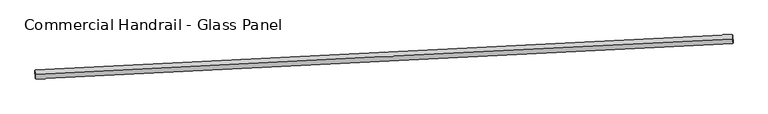
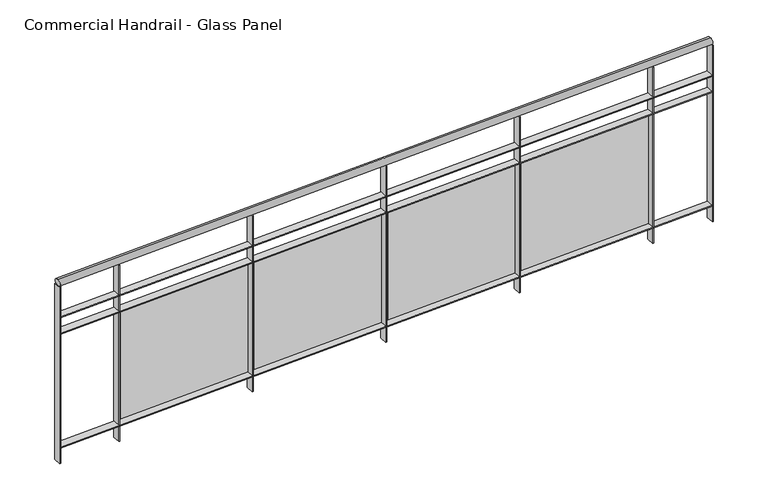
"""IFC4 building model written with IfcOpenShell, lengths in millimetres: railing geometry, Commercial Handrail - Glass Panel."""

from ifc_helpers import new_model, si_unit, point, frame, origin, place, context, project, spatial, polyline, circle_curve, ellipse_curve, trimmed, outline, extrude, source, transform, mapped, element, save
from ifc_brep_helpers import plane_surface, cylinder_surface, revolved_surface, advanced_brep


def commercial_handrail_glass_panel_14d53c42(model_context):
    return source(origin(), model_context, "Body", "SolidModel", [
        advanced_brep(
        [(79397.2967525, -7868.0167373, 9482.5), (75492.5401966, -8066.1806126, 9482.5), (75492.5401966, -8066.1806126, 9517.5), (79397.2967525, -7868.0167373, 9517.5)],
        [
            (0, 1, circle_curve(frame((111016.9781026, -669493.9269536, 9482.5), z_axis=(0.0, 0.0, 1.0), x_axis=(-0.0536314228074189, 0.9985607995949229, 0.0)), 662381.0454099)),
            (1, 2, ellipse_curve(frame((75492.5401966, -8066.1806126, 9500.0), z_axis=(0.9985607995949235, 0.05363142280741247, 0.0), x_axis=(0.053631422807412454, -0.9985607995949233, 0.0)), 25.0, 17.5)),
            (2, 3, circle_curve(frame((111016.9781026, -669493.9269536, 9517.5), z_axis=(0.0, 0.0, -1.0), x_axis=(-0.0536314228074189, 0.9985607995949229, 0.0)), 662381.0454099)),
            (3, 0, ellipse_curve(frame((79397.2967525, -7868.0167373, 9500.0), z_axis=(-0.998859968595467, -0.047736392170574266, 0.0), x_axis=(0.047736392170574266, -0.998859968595467, 0.0)), 25.0, 17.5)),
            (2, 1, ellipse_curve(frame((75492.5401966, -8066.1806126, 9500.0), z_axis=(0.9985607995949235, 0.05363142280741247, 0.0), x_axis=(0.053631422807412454, -0.9985607995949233, 0.0)), 25.0, 17.5)),
            (0, 3, ellipse_curve(frame((79397.2967525, -7868.0167373, 9500.0), z_axis=(-0.998859968595467, -0.047736392170574266, 0.0), x_axis=(0.047736392170574266, -0.998859968595467, 0.0)), 25.0, 17.5)),
        ],
        [
            revolved_surface(trimmed(ellipse_curve(frame((75492.5401966, -8066.1806126, 9500.0), z_axis=(-0.9985607995949229, -0.0536314228074189, 0.0), x_axis=(0.0, 0.0, -1.0)), 17.5, 25.0), [point((75492.5401966, -8066.1806126, 9517.5))], [point((75492.5401966, -8066.1806126, 9482.5))], True, "CARTESIAN"), (111016.9781026, -669493.9269536, 9500.0), (0.0, 0.0, -1.0)),
            revolved_surface(trimmed(ellipse_curve(frame((75492.5401966, -8066.1806126, 9500.0), z_axis=(-0.9985607995949229, -0.0536314228074189, 0.0), x_axis=(0.0, 0.0, -1.0)), 17.5, 25.0), [point((75492.5401966, -8066.1806126, 9482.5))], [point((75492.5401966, -8066.1806126, 9517.5))], True, "CARTESIAN"), (111016.9781026, -669493.9269536, 9500.0), (0.0, 0.0, -1.0)),
            plane_surface(frame((75492.5401966, -8066.1806126, 9500.0), z_axis=(-0.998560799594923, -0.05363142280741891, 0.0), x_axis=(0.05363142280741891, -0.998560799594923, 0.0))),
            plane_surface(frame((79397.2967525, -7868.0167373, 9500.0), z_axis=(0.9988599685954669, 0.04773639217057431, 0.0), x_axis=(0.04773639217057431, -0.9988599685954669, 0.0))),
        ],
        [
            (0, [[1, 2, 3, 4]]),
            (1, [[-3, 5, -1, 6]]),
            (2, [[-2, -5]]),
            (3, [[-6, -4]]),
        ],
    ),
        advanced_brep(
        [(79396.2226837, -7845.542388, 9300.0), (75491.3334896, -8043.7129946, 9300.0), (75493.7469036, -8088.6482306, 9300.0), (79398.3708214, -7890.4910866, 9300.0), (79396.2226837, -7845.542388, 9294.0), (75491.3334896, -8043.7129946, 9294.0), (79398.3708214, -7890.4910866, 9294.0), (75493.7469036, -8088.6482306, 9294.0)],
        [
            (0, 1, circle_curve(frame((111016.9781026, -669493.9269536, 9300.0), z_axis=(0.0, 0.0, 1.0), x_axis=(-0.0536314228074189, 0.9985607995949229, 0.0)), 662403.5454099)),
            (1, 2),
            (2, 3, circle_curve(frame((111016.9781026, -669493.9269536, 9300.0), z_axis=(0.0, 0.0, -1.0), x_axis=(-0.0536314228074189, 0.9985607995949229, 0.0)), 662358.5454099)),
            (3, 0),
            (4, 5, circle_curve(frame((111016.9781026, -669493.9269536, 9294.0), z_axis=(0.0, 0.0, 1.0), x_axis=(-0.0536314228074189, 0.9985607995949229, 0.0)), 662403.5454099)),
            (5, 1),
            (0, 4),
            (6, 7, circle_curve(frame((111016.9781026, -669493.9269536, 9294.0), z_axis=(0.0, 0.0, 1.0), x_axis=(-0.0536314228074189, 0.9985607995949229, 0.0)), 662358.5454099)),
            (7, 5),
            (4, 6),
            (2, 7),
            (6, 3),
        ],
        [
            plane_surface(frame((111016.9781026, -669493.9269536, 9300.0), z_axis=(0.0, 0.0, 1.0), x_axis=(-0.0536314228074189, 0.9985607995949229, 0.0))),
            cylinder_surface(frame((111016.9781026, -669493.9269536, 9300.0), z_axis=(0.0, 0.0, -1.0), x_axis=(-0.0536314228074189, 0.9985607995949229, 0.0)), 662403.5454099),
            plane_surface(frame((111016.9781026, -669493.9269536, 9294.0), z_axis=(0.0, 0.0, -1.0), x_axis=(-0.0536314228074189, 0.9985607995949229, 0.0))),
            revolved_surface(polyline([(75493.74690361468, -8088.648230560124, 9294.0), (75493.74690361468, -8088.648230560124, 9300.0)]), (111016.9781026, -669493.9269536, 9300.0), (0.0, 0.0, -1.0)),
            plane_surface(frame((75492.5401966, -8066.1806126, 9300.0), z_axis=(-0.998560799594923, -0.05363142280741891, 0.0), x_axis=(0.05363142280741891, -0.998560799594923, 0.0))),
            plane_surface(frame((79397.2967525, -7868.0167373, 9300.0), z_axis=(0.9988599685954669, 0.04773639217057431, 0.0), x_axis=(0.04773639217057431, -0.9988599685954669, 0.0))),
        ],
        [
            (0, [[1, 2, 3, 4]]),
            (1, [[5, 6, -1, 7]]),
            (2, [[8, 9, -5, 10]]),
            (3, [[-3, 11, -8, 12]]),
            (4, [[-2, -6, -9, -11]]),
            (5, [[-12, -10, -7, -4]]),
        ],
    ),
        advanced_brep(
        [(79396.2226837, -7845.542388, 9200.0), (75491.3334896, -8043.7129946, 9200.0), (75493.7469036, -8088.6482306, 9200.0), (79398.3708214, -7890.4910866, 9200.0), (79396.2226837, -7845.542388, 9194.0), (75491.3334896, -8043.7129946, 9194.0), (79398.3708214, -7890.4910866, 9194.0), (75493.7469036, -8088.6482306, 9194.0)],
        [
            (0, 1, circle_curve(frame((111016.9781026, -669493.9269536, 9200.0), z_axis=(0.0, 0.0, 1.0), x_axis=(-0.0536314228074189, 0.9985607995949229, 0.0)), 662403.5454099)),
            (1, 2),
            (2, 3, circle_curve(frame((111016.9781026, -669493.9269536, 9200.0), z_axis=(0.0, 0.0, -1.0), x_axis=(-0.0536314228074189, 0.9985607995949229, 0.0)), 662358.5454099)),
            (3, 0),
            (4, 5, circle_curve(frame((111016.9781026, -669493.9269536, 9194.0), z_axis=(0.0, 0.0, 1.0), x_axis=(-0.0536314228074189, 0.9985607995949229, 0.0)), 662403.5454099)),
            (5, 1),
            (0, 4),
            (6, 7, circle_curve(frame((111016.9781026, -669493.9269536, 9194.0), z_axis=(0.0, 0.0, 1.0), x_axis=(-0.0536314228074189, 0.9985607995949229, 0.0)), 662358.5454099)),
            (7, 5),
            (4, 6),
            (2, 7),
            (6, 3),
        ],
        [
            plane_surface(frame((111016.9781026, -669493.9269536, 9200.0), z_axis=(0.0, 0.0, 1.0), x_axis=(-0.0536314228074189, 0.9985607995949229, 0.0))),
            cylinder_surface(frame((111016.9781026, -669493.9269536, 9200.0), z_axis=(0.0, 0.0, -1.0), x_axis=(-0.0536314228074189, 0.9985607995949229, 0.0)), 662403.5454099),
            plane_surface(frame((111016.9781026, -669493.9269536, 9194.0), z_axis=(0.0, 0.0, -1.0), x_axis=(-0.0536314228074189, 0.9985607995949229, 0.0))),
            revolved_surface(polyline([(75493.74690361468, -8088.648230560124, 9194.0), (75493.74690361468, -8088.648230560124, 9200.0)]), (111016.9781026, -669493.9269536, 9200.0), (0.0, 0.0, -1.0)),
            plane_surface(frame((75492.5401966, -8066.1806126, 9200.0), z_axis=(-0.998560799594923, -0.05363142280741891, 0.0), x_axis=(0.05363142280741891, -0.998560799594923, 0.0))),
            plane_surface(frame((79397.2967525, -7868.0167373, 9200.0), z_axis=(0.9988599685954669, 0.04773639217057431, 0.0), x_axis=(0.04773639217057431, -0.9988599685954669, 0.0))),
        ],
        [
            (0, [[1, 2, 3, 4]]),
            (1, [[5, 6, -1, 7]]),
            (2, [[8, 9, -5, 10]]),
            (3, [[-3, 11, -8, 12]]),
            (4, [[-2, -6, -9, -11]]),
            (5, [[-12, -10, -7, -4]]),
        ],
    ),
        advanced_brep(
        [(79396.2226837, -7845.542388, 8500.0), (75491.3334896, -8043.7129946, 8500.0), (75493.7469036, -8088.6482306, 8500.0), (79398.3708214, -7890.4910866, 8500.0), (79396.2226837, -7845.542388, 8494.0), (75491.3334896, -8043.7129946, 8494.0), (79398.3708214, -7890.4910866, 8494.0), (75493.7469036, -8088.6482306, 8494.0)],
        [
            (0, 1, circle_curve(frame((111016.9781026, -669493.9269536, 8500.0), z_axis=(0.0, 0.0, 1.0), x_axis=(-0.0536314228074189, 0.9985607995949229, 0.0)), 662403.5454099)),
            (1, 2),
            (2, 3, circle_curve(frame((111016.9781026, -669493.9269536, 8500.0), z_axis=(0.0, 0.0, -1.0), x_axis=(-0.0536314228074189, 0.9985607995949229, 0.0)), 662358.5454099)),
            (3, 0),
            (4, 5, circle_curve(frame((111016.9781026, -669493.9269536, 8494.0), z_axis=(0.0, 0.0, 1.0), x_axis=(-0.0536314228074189, 0.9985607995949229, 0.0)), 662403.5454099)),
            (5, 1),
            (0, 4),
            (6, 7, circle_curve(frame((111016.9781026, -669493.9269536, 8494.0), z_axis=(0.0, 0.0, 1.0), x_axis=(-0.0536314228074189, 0.9985607995949229, 0.0)), 662358.5454099)),
            (7, 5),
            (4, 6),
            (2, 7),
            (6, 3),
        ],
        [
            plane_surface(frame((111016.9781026, -669493.9269536, 8500.0), z_axis=(0.0, 0.0, 1.0), x_axis=(-0.0536314228074189, 0.9985607995949229, 0.0))),
            cylinder_surface(frame((111016.9781026, -669493.9269536, 8500.0), z_axis=(0.0, 0.0, -1.0), x_axis=(-0.0536314228074189, 0.9985607995949229, 0.0)), 662403.5454099),
            plane_surface(frame((111016.9781026, -669493.9269536, 8494.0), z_axis=(0.0, 0.0, -1.0), x_axis=(-0.0536314228074189, 0.9985607995949229, 0.0))),
            revolved_surface(polyline([(75493.74690361468, -8088.648230560124, 8494.0), (75493.74690361468, -8088.648230560124, 8500.0)]), (111016.9781026, -669493.9269536, 8500.0), (0.0, 0.0, -1.0)),
            plane_surface(frame((75492.5401966, -8066.1806126, 8500.0), z_axis=(-0.998560799594923, -0.05363142280741891, 0.0), x_axis=(0.05363142280741891, -0.998560799594923, 0.0))),
            plane_surface(frame((79397.2967525, -7868.0167373, 8500.0), z_axis=(0.9988599685954669, 0.04773639217057431, 0.0), x_axis=(0.04773639217057431, -0.9988599685954669, 0.0))),
        ],
        [
            (0, [[1, 2, 3, 4]]),
            (1, [[5, 6, -1, 7]]),
            (2, [[8, 9, -5, 10]]),
            (3, [[-3, 11, -8, 12]]),
            (4, [[-2, -6, -9, -11]]),
            (5, [[-12, -10, -7, -4]]),
        ],
    ),
        extrude(outline(polyline([(79040.9018338, -7907.6716301), (79038.7296137, -7862.7240889), (79044.7226192, -7862.4344596), (79046.8948393, -7907.3820008), (79040.9018338, -7907.6716301)])), frame((0.0, 0.0, 8400.0), z_axis=(0.0, 0.0, 1.0), x_axis=(1.0, 0.0, 0.0)), (0.0, 0.0, 1.0), 1082.1192282),
        extrude(outline(polyline([(78263.4452648, -7917.0618703), (79022.5370012, -7879.9170767), (79023.1234979, -7891.9027357), (78264.0317615, -7929.0475293), (78263.4452648, -7917.0618703)])), frame((0.0, 0.0, 8520.0), z_axis=(0.0, 0.0, 1.0), x_axis=(1.0, 0.0, 0.0)), (0.0, 0.0, 1.0), 660.0),
        extrude(outline(polyline([(78241.8852686, -7946.7737013), (78239.658764, -7901.8288164), (78245.6514154, -7901.5319492), (78247.8779199, -7946.476834), (78241.8852686, -7946.7737013)])), frame((0.0, 0.0, 8400.0), z_axis=(0.0, 0.0, 1.0), x_axis=(1.0, 0.0, 0.0)), (0.0, 0.0, 1.0), 1082.1192282),
        extrude(outline(polyline([(77464.4406078, -7957.1029185), (78223.4869284, -7919.0413485), (78224.0879006, -7931.0262904), (77465.0415799, -7969.0878604), (77464.4406078, -7957.1029185)])), frame((0.0, 0.0, 8520.0), z_axis=(0.0, 0.0, 1.0), x_axis=(1.0, 0.0, 0.0)), (0.0, 0.0, 1.0), 660.0),
        extrude(outline(polyline([(77442.9165122, -7986.8407672), (77440.6357265, -7941.8986042), (77446.6280149, -7941.5944994), (77448.9088006, -7986.5366625), (77442.9165122, -7986.8407672)])), frame((0.0, 0.0, 8400.0), z_axis=(0.0, 0.0, 1.0), x_axis=(1.0, 0.0, 0.0)), (0.0, 0.0, 1.0), 1082.1192282),
        extrude(outline(polyline([(76665.4848937, -7998.1089463), (77424.4846913, -7959.1306555), (77425.100138, -7971.1148628), (76666.1003404, -8010.0931537), (76665.4848937, -7998.1089463)])), frame((0.0, 0.0, 8520.0), z_axis=(0.0, 0.0, 1.0), x_axis=(1.0, 0.0, 0.0)), (0.0, 0.0, 1.0), 660.0),
        extrude(outline(polyline([(76643.9967301, -8027.8727694), (76641.6616665, -7982.9333938), (76647.6535833, -7982.622052), (76649.9886469, -8027.5614276), (76643.9967301, -8027.8727694)])), frame((0.0, 0.0, 8400.0), z_axis=(0.0, 0.0, 1.0), x_axis=(1.0, 0.0, 0.0)), (0.0, 0.0, 1.0), 1082.1192282),
        extrude(outline(polyline([(75866.5792879, -8040.079894), (76625.5314554, -8000.1849391), (76626.1613757, -8012.1683944), (75867.2092082, -8052.0633493), (75866.5792879, -8040.079894)])), frame((0.0, 0.0, 8520.0), z_axis=(0.0, 0.0, 1.0), x_axis=(1.0, 0.0, 0.0)), (0.0, 0.0, 1.0), 660.0),
        extrude(outline(polyline([(75845.1270877, -8069.869648), (75842.7377496, -8024.9331254), (75848.7292859, -8024.614547), (75851.118624, -8069.5510696), (75845.1270877, -8069.869648)])), frame((0.0, 0.0, 8400.0), z_axis=(0.0, 0.0, 1.0), x_axis=(1.0, 0.0, 0.0)), (0.0, 0.0, 1.0), 1082.1192282),
        extrude(outline(polyline([(79395.3742415, -7890.6342957), (79393.2261038, -7845.6855972), (79399.2192636, -7845.3991788), (79401.3674013, -7890.3478774), (79395.3742415, -7890.6342957)])), frame((0.0, 0.0, 8400.0), z_axis=(0.0, 0.0, 1.0), x_axis=(1.0, 0.0, 0.0)), (0.0, 0.0, 1.0), 1082.1192282),
        extrude(outline(polyline([(75490.7512212, -8088.8091249), (75488.3378072, -8043.8738889), (75494.329172, -8043.5521004), (75496.742586, -8088.4873363), (75490.7512212, -8088.8091249)])), frame((0.0, 0.0, 8400.0), z_axis=(0.0, 0.0, 1.0), x_axis=(1.0, 0.0, 0.0)), (0.0, 0.0, 1.0), 1082.1192282),
    ])


if __name__ == "__main__":
    model = new_model("IFC4")
    model_context = context("Model", 3, world=origin())
    ifc_project = project(units=[si_unit("LENGTHUNIT", "METRE", prefix="MILLI")], contexts=[model_context])
    site = spatial("IfcSite", under=ifc_project)
    building = spatial("IfcBuilding", under=site)
    placement = place(None, origin())
    commercial_handrail_glass_panel_shape = commercial_handrail_glass_panel_14d53c42(model_context)
    element("IfcRailing", 1, ObjectType="Commercial Handrail - Glass Panel", at=placement, inside=building, context=model_context, shape_type="MappedRepresentation", body=[
        mapped(commercial_handrail_glass_panel_shape, transform((0.0, 0.0, 0.0), x_axis=(1.0, 0.0, 0.0), y_axis=(0.0, 1.0, 0.0), z_axis=(0.0, 0.0, 1.0))),
    ])
    save(model, "model.ifc")
